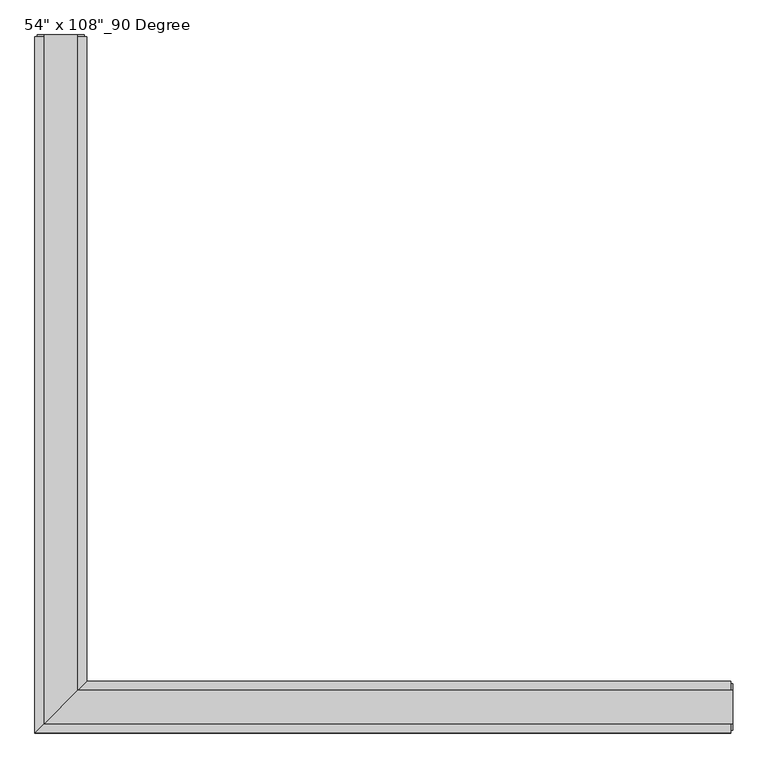
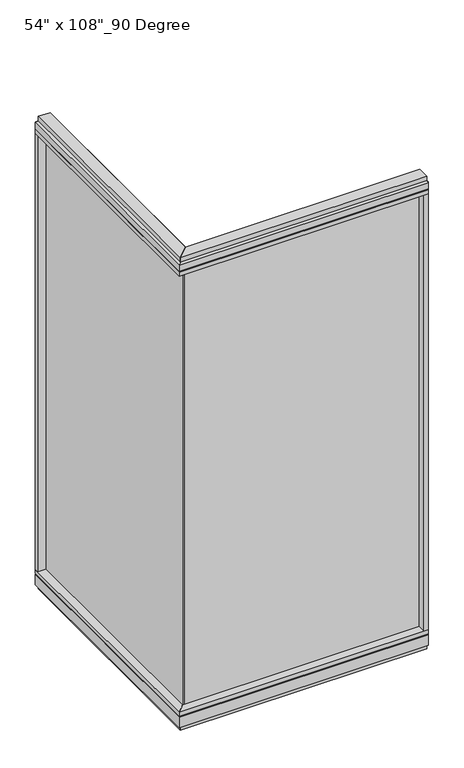
"""IFC4 building model written with IfcOpenShell, lengths in millimetres: furniture geometry."""

from ifc_helpers import new_model, si_unit, frame, origin, origin_with_axes, place, context, project, spatial, polyline, outline, extrude, faceted_brep, source, transform, mapped, element, save


def furniture_f144d0c8(model_context):
    return source(origin(), model_context, "Body", "SolidModel", [
        extrude(outline(polyline([(-700.1165229, 1290.1202784), (-689.9565229, 1290.1202784), (-689.9565229, -9.5977216), (-700.1165229, -9.5977216), (-700.1165229, 1290.1202784)])), frame((0.0, 0.0, 120.523), z_axis=(0.0, 0.0, 1.0), x_axis=(1.0, 0.0, 0.0)), (0.0, 0.0, 1.0), 2533.777),
        extrude(outline(polyline([(-644.2365229, 1312.3452784), (-644.2365229, 46.2822784), (-745.8365229, -55.3177216), (-745.8365229, 1312.3452784), (-644.2365229, 1312.3452784)])), frame((0.0, 0.0, 2654.3), z_axis=(0.0, 0.0, 1.0), x_axis=(1.0, 0.0, 0.0)), (0.0, 0.0, 1.0), 22.225),
        faceted_brep([(-644.2365229, 46.2822784, 2681.478), (-644.2365229, 46.2822784, 2717.8), (-745.8365229, -55.3177216, 2717.8), (-745.8365229, -55.3177216, 2681.478), (-740.8835229, -50.3647216, 2681.478), (-740.8835229, -50.3647216, 2676.525), (-649.1895229, 41.3292784, 2676.525), (-649.1895229, 41.3292784, 2681.478), (-644.2365229, 1312.3452784, 2681.478), (-649.1895229, 1312.3452784, 2681.478), (-649.1895229, 1312.3452784, 2676.525), (-740.8835229, 1312.3452784, 2676.525), (-740.8835229, 1312.3452784, 2681.478), (-745.8365229, 1312.3452784, 2681.478), (-745.8365229, 1312.3452784, 2717.8), (-644.2365229, 1312.3452784, 2717.8)], [[[0, 1, 2, 3, 4, 5, 6, 7]], [[8, 9, 10, 11, 12, 13, 14, 15]], [[8, 0, 7, 9]], [[13, 3, 2, 14]], [[14, 2, 1, 15]], [[15, 1, 0, 8]], [[9, 7, 6, 10]], [[10, 6, 5, 11]], [[11, 5, 4, 12]], [[12, 4, 3, 13]]]),
        extrude(outline(polyline([(-662.5245229, 1316.2822784), (-662.5245229, 27.9942784), (-727.5485229, -37.0297216), (-727.5485229, 1316.2822784), (-662.5245229, 1316.2822784)])), frame((0.0, 0.0, 2717.8), z_axis=(0.0, 0.0, 1.0), x_axis=(1.0, 0.0, 0.0)), (0.0, 0.0, 1.0), 25.4),
        faceted_brep([(-649.1895229, 41.3292784, 93.345), (-649.1895229, 41.3292784, 98.298), (-740.8835229, -50.3647216, 98.298), (-740.8835229, -50.3647216, 93.345), (-745.8365229, -55.3177216, 93.345), (-745.8365229, -55.3177216, 31.75), (-644.2365229, 46.2822784, 31.75), (-644.2365229, 46.2822784, 93.345), (-644.2365229, 1312.3452784, 93.345), (-644.2365229, 1312.3452784, 31.75), (-745.8365229, 1312.3452784, 31.75), (-745.8365229, 1312.3452784, 93.345), (-740.8835229, 1312.3452784, 93.345), (-740.8835229, 1312.3452784, 98.298), (-649.1895229, 1312.3452784, 98.298), (-649.1895229, 1312.3452784, 93.345)], [[[0, 1, 2, 3, 4, 5, 6, 7]], [[8, 9, 10, 11, 12, 13, 14, 15]], [[15, 0, 7, 8]], [[10, 5, 4, 11]], [[9, 6, 5, 10]], [[8, 7, 6, 9]], [[14, 1, 0, 15]], [[13, 2, 1, 14]], [[12, 3, 2, 13]], [[11, 4, 3, 12]]]),
        extrude(outline(polyline([(-644.2365229, 1312.3452784), (-644.2365229, 46.2822784), (-745.8365229, -55.3177216), (-745.8365229, 1312.3452784), (-644.2365229, 1312.3452784)])), frame((0.0, 0.0, 98.298), z_axis=(0.0, 0.0, 1.0), x_axis=(1.0, 0.0, 0.0)), (0.0, 0.0, 1.0), 22.225),
        extrude(outline(polyline([(-662.5245229, 1316.2822784), (-662.5245229, 27.9942784), (-727.5485229, -37.0297216), (-727.5485229, 1316.2822784), (-662.5245229, 1316.2822784)])), origin_with_axes(), (0.0, 0.0, 1.0), 31.75),
        extrude(outline(polyline([(-745.8365229, 1290.1202784), (-745.8365229, 1312.3452784), (-644.2365229, 1312.3452784), (-644.2365229, 1290.1202784), (-745.8365229, 1290.1202784)])), frame((0.0, 0.0, 120.523), z_axis=(0.0, 0.0, 1.0), x_axis=(1.0, 0.0, 0.0)), (0.0, 0.0, 1.0), 2533.777),
        extrude(outline(polyline([(-740.8835229, 1316.2822784), (-649.1895229, 1316.2822784), (-649.1895229, 1312.3452784), (-740.8835229, 1312.3452784), (-740.8835229, 1316.2822784)])), frame((0.0, 0.0, 31.75), z_axis=(0.0, 0.0, 1.0), x_axis=(1.0, 0.0, 0.0)), (0.0, 0.0, 1.0), 2686.05),
        extrude(outline(polyline([(599.6014771, -9.5977216), (-700.1165229, -9.5977216), (-700.1165229, 0.5622784), (599.6014771, 0.5622784), (599.6014771, -9.5977216)])), frame((0.0, 0.0, 120.523), z_axis=(0.0, 0.0, 1.0), x_axis=(1.0, 0.0, 0.0)), (0.0, 0.0, 1.0), 2533.777),
        extrude(outline(polyline([(621.8264771, 46.2822784), (621.8264771, -55.3177216), (-745.8365229, -55.3177216), (-644.2365229, 46.2822784), (621.8264771, 46.2822784)])), frame((0.0, 0.0, 2654.3), z_axis=(0.0, 0.0, 1.0), x_axis=(1.0, 0.0, 0.0)), (0.0, 0.0, 1.0), 22.225),
        faceted_brep([(-644.2365229, 46.2822784, 2681.478), (-649.1895229, 41.3292784, 2681.478), (-649.1895229, 41.3292784, 2676.525), (-740.8835229, -50.3647216, 2676.525), (-740.8835229, -50.3647216, 2681.478), (-745.8365229, -55.3177216, 2681.478), (-745.8365229, -55.3177216, 2717.8), (-644.2365229, 46.2822784, 2717.8), (621.8264771, 46.2822784, 2681.478), (621.8264771, 46.2822784, 2717.8), (621.8264771, -55.3177216, 2717.8), (621.8264771, -55.3177216, 2681.478), (621.8264771, -50.3647216, 2681.478), (621.8264771, -50.3647216, 2676.525), (621.8264771, 41.3292784, 2676.525), (621.8264771, 41.3292784, 2681.478)], [[[0, 1, 2, 3, 4, 5, 6, 7]], [[8, 9, 10, 11, 12, 13, 14, 15]], [[8, 15, 1, 0]], [[11, 10, 6, 5]], [[10, 9, 7, 6]], [[9, 8, 0, 7]], [[15, 14, 2, 1]], [[14, 13, 3, 2]], [[13, 12, 4, 3]], [[12, 11, 5, 4]]]),
        extrude(outline(polyline([(625.7634771, 27.9942784), (625.7634771, -37.0297216), (-727.5485229, -37.0297216), (-662.5245229, 27.9942784), (625.7634771, 27.9942784)])), frame((0.0, 0.0, 2717.8), z_axis=(0.0, 0.0, 1.0), x_axis=(1.0, 0.0, 0.0)), (0.0, 0.0, 1.0), 25.4),
        faceted_brep([(-649.1895229, 41.3292784, 93.345), (-644.2365229, 46.2822784, 93.345), (-644.2365229, 46.2822784, 31.75), (-745.8365229, -55.3177216, 31.75), (-745.8365229, -55.3177216, 93.345), (-740.8835229, -50.3647216, 93.345), (-740.8835229, -50.3647216, 98.298), (-649.1895229, 41.3292784, 98.298), (621.8264771, 46.2822784, 93.345), (621.8264771, 41.3292784, 93.345), (621.8264771, 41.3292784, 98.298), (621.8264771, -50.3647216, 98.298), (621.8264771, -50.3647216, 93.345), (621.8264771, -55.3177216, 93.345), (621.8264771, -55.3177216, 31.75), (621.8264771, 46.2822784, 31.75)], [[[0, 1, 2, 3, 4, 5, 6, 7]], [[8, 9, 10, 11, 12, 13, 14, 15]], [[9, 8, 1, 0]], [[14, 13, 4, 3]], [[15, 14, 3, 2]], [[8, 15, 2, 1]], [[10, 9, 0, 7]], [[11, 10, 7, 6]], [[12, 11, 6, 5]], [[13, 12, 5, 4]]]),
        extrude(outline(polyline([(621.8264771, 46.2822784), (621.8264771, -55.3177216), (-745.8365229, -55.3177216), (-644.2365229, 46.2822784), (621.8264771, 46.2822784)])), frame((0.0, 0.0, 98.298), z_axis=(0.0, 0.0, 1.0), x_axis=(1.0, 0.0, 0.0)), (0.0, 0.0, 1.0), 22.225),
        extrude(outline(polyline([(625.7634771, 27.9942784), (625.7634771, -37.0297216), (-727.5485229, -37.0297216), (-662.5245229, 27.9942784), (625.7634771, 27.9942784)])), origin_with_axes(), (0.0, 0.0, 1.0), 31.75),
        extrude(outline(polyline([(599.6014771, -55.3177216), (599.6014771, 46.2822784), (621.8264771, 46.2822784), (621.8264771, -55.3177216), (599.6014771, -55.3177216)])), frame((0.0, 0.0, 120.523), z_axis=(0.0, 0.0, 1.0), x_axis=(1.0, 0.0, 0.0)), (0.0, 0.0, 1.0), 2533.777),
        extrude(outline(polyline([(625.7634771, -50.3647216), (621.8264771, -50.3647216), (621.8264771, 41.3292784), (625.7634771, 41.3292784), (625.7634771, -50.3647216)])), frame((0.0, 0.0, 31.75), z_axis=(0.0, 0.0, 1.0), x_axis=(1.0, 0.0, 0.0)), (0.0, 0.0, 1.0), 2686.05),
    ])


if __name__ == "__main__":
    model = new_model("IFC4")
    model_context = context("Model", 3, world=origin())
    ifc_project = project(units=[si_unit("LENGTHUNIT", "METRE", prefix="MILLI")], contexts=[model_context])
    site = spatial("IfcSite", under=ifc_project)
    building = spatial("IfcBuilding", under=site)
    placement = place(None, origin())
    furniture_shape = furniture_f144d0c8(model_context)
    element("IfcFurniture", 1, ObjectType="54\" x 108\"_90 Degree", at=placement, inside=building, context=model_context, shape_type="MappedRepresentation", body=[
        mapped(furniture_shape, transform((0.0, 0.0, 0.0), x_axis=(1.0, 0.0, 0.0), y_axis=(0.0, 1.0, 0.0), z_axis=(0.0, 0.0, 1.0))),
    ])
    save(model, "model.ifc")
